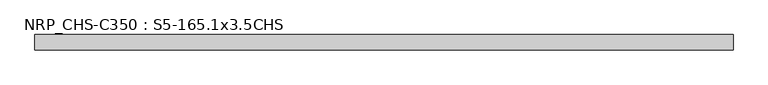
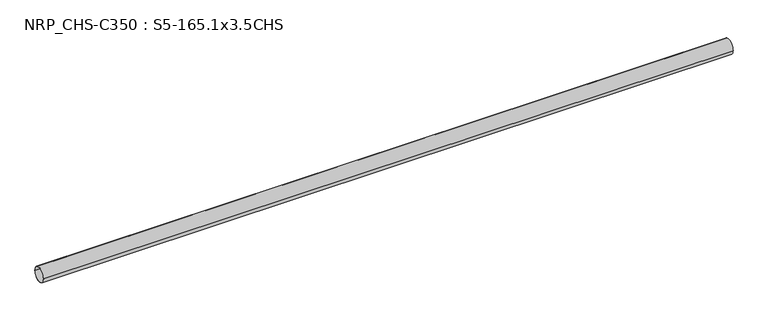
"""IFC4 building model written with IfcOpenShell, lengths in millimetres: beam geometry, NRP_CHS-C350 : S5-165.1x3.5CHS."""

from ifc_helpers import new_model, si_unit, point, frame, origin, origin_2d, place, context, project, spatial, circle_curve, trimmed, segment, composite_curve, outline, extrude, source, transform, mapped, element, save


def nrp_chs_c350_s5_165_1x3_5chs_6960a7da(model_context):
    return source(origin(), model_context, "Body", "SweptSolid", [
        extrude(outline(composite_curve([segment(trimmed(circle_curve(origin_2d(), 82.55), [point((82.55, 0.0))], [point((-82.55, 0.0))], False, "CARTESIAN"), True, "CONTINUOUS"), segment(trimmed(circle_curve(origin_2d(), 82.55), [point((-82.55, 0.0))], [point((82.55, 0.0))], False, "CARTESIAN"), True, "CONTINUOUS")], self_intersect=False), holes=[composite_curve([segment(trimmed(circle_curve(origin_2d(), 79.05), [point((-79.05, 0.0))], [point((79.05, 0.0))], True, "CARTESIAN"), True, "CONTINUOUS"), segment(trimmed(circle_curve(origin_2d(), 79.05), [point((79.05, 0.0))], [point((-79.05, 0.0))], True, "CARTESIAN"), True, "CONTINUOUS")], self_intersect=False)]), frame((-3786.15, 0.0, 0.0), z_axis=(1.0, 0.0, 0.0), x_axis=(0.0, 1.0, 0.0)), (0.0, 0.0, 1.0), 7584.8),
    ])


if __name__ == "__main__":
    model = new_model("IFC4")
    model_context = context("Model", 3, world=origin())
    ifc_project = project(units=[si_unit("LENGTHUNIT", "METRE", prefix="MILLI")], contexts=[model_context])
    site = spatial("IfcSite", under=ifc_project)
    building = spatial("IfcBuilding", under=site)
    placement = place(None, origin())
    nrp_chs_c350_s5_165_1x3_5chs_shape = nrp_chs_c350_s5_165_1x3_5chs_6960a7da(model_context)
    element("IfcBeam", 1, ObjectType="NRP_CHS-C350 : S5-165.1x3.5CHS", at=placement, inside=building, context=model_context, shape_type="MappedRepresentation", body=[
        mapped(nrp_chs_c350_s5_165_1x3_5chs_shape, transform((0.0, 0.0, 0.0), x_axis=(1.0, 0.0, 0.0), y_axis=(0.0, 1.0, 0.0), z_axis=(0.0, 0.0, 1.0))),
    ])
    save(model, "model.ifc")
